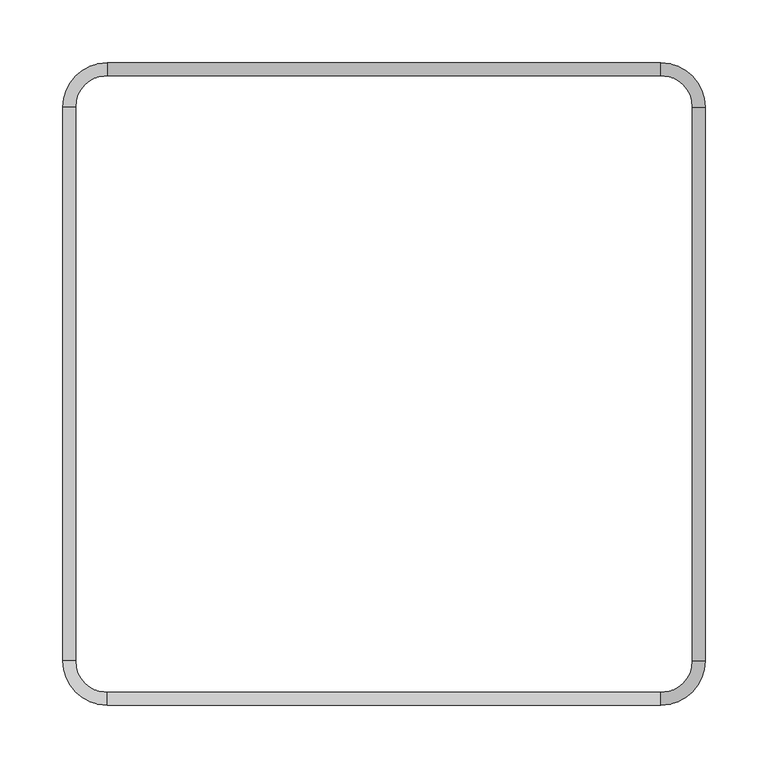
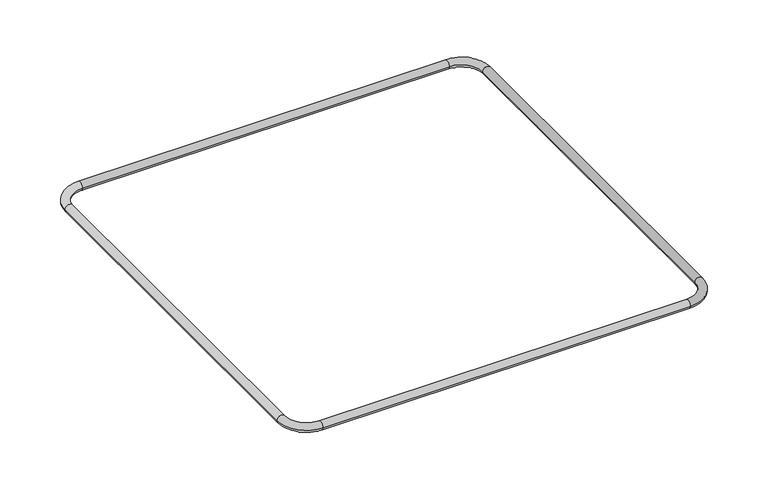
"""IFC4 building model written with IfcOpenShell, lengths in millimetres: beam geometry."""

from ifc_helpers import new_model, si_unit, point, frame, origin, place, context, project, spatial, circle_curve, ellipse_curve, trimmed, source, transform, mapped, element, save
from ifc_brep_helpers import cylinder_surface, revolved_surface, advanced_brep


def beam_69f8333f(model_context):
    return source(origin(), model_context, "Body", "AdvancedBrep", [
        advanced_brep(
        [(255.0, 220.0, 0.0), (220.0, 255.0, 0.0), (220.0, 245.0, 0.0), (245.0, 220.0, 0.0), (245.0, -220.0, 0.0), (255.0, -220.0, 0.0), (220.0, -255.0, 0.0), (220.0, -245.0, 0.0), (-220.0, -245.0, 0.0), (-220.0, -255.0, 0.0), (-255.0, -220.0, 0.0), (-245.0, -220.0, 0.0), (-245.0, 220.0, 0.0), (-255.0, 220.0, 0.0), (-220.0, 255.0, 0.0), (-220.0, 245.0, 0.0)],
        [
            (0, 1, circle_curve(frame((220.0, 220.0, 0.0), z_axis=(0.0, 0.0, 1.0), x_axis=(0.0, 1.0, 0.0)), 35.0)),
            (1, 2, circle_curve(frame((220.0, 250.0, 0.0), z_axis=(1.0, 0.0, 0.0), x_axis=(0.0, 1.0, 0.0)), 5.0)),
            (2, 3, circle_curve(frame((220.0, 220.0, 0.0), z_axis=(0.0, 0.0, -1.0), x_axis=(0.0, 1.0, 0.0)), 25.0)),
            (3, 0, circle_curve(frame((250.0, 220.0, 0.0), z_axis=(0.0, 1.0, 0.0), x_axis=(1.0, 0.0, 0.0)), 5.0)),
            (2, 1, circle_curve(frame((220.0, 250.0, 0.0), z_axis=(1.0, 0.0, 0.0), x_axis=(0.0, 1.0, 0.0)), 5.0)),
            (0, 3, circle_curve(frame((250.0, 220.0, 0.0), z_axis=(0.0, 1.0, 0.0), x_axis=(1.0, 0.0, 0.0)), 5.0)),
            (3, 4),
            (4, 5, circle_curve(frame((250.0, -220.0, 0.0), z_axis=(0.0, 1.0, 0.0), x_axis=(1.0, 0.0, 0.0)), 5.0)),
            (5, 0),
            (5, 4, circle_curve(frame((250.0, -220.0, 0.0), z_axis=(0.0, 1.0, 0.0), x_axis=(1.0, 0.0, 0.0)), 5.0)),
            (6, 5, circle_curve(frame((220.0, -220.0, 0.0), z_axis=(0.0, 0.0, 1.0), x_axis=(1.0, 0.0, 0.0)), 35.0)),
            (4, 7, circle_curve(frame((220.0, -220.0, 0.0), z_axis=(0.0, 0.0, -1.0), x_axis=(1.0, 0.0, 0.0)), 25.0)),
            (7, 6, circle_curve(frame((220.0, -250.0, 0.0), z_axis=(1.0, 0.0, 0.0), x_axis=(0.0, -1.0, 0.0)), 5.0)),
            (6, 7, circle_curve(frame((220.0, -250.0, 0.0), z_axis=(1.0, 0.0, 0.0), x_axis=(0.0, -1.0, 0.0)), 5.0)),
            (7, 8),
            (8, 9, circle_curve(frame((-220.0, -250.0, 0.0), z_axis=(1.0, 0.0, 0.0), x_axis=(0.0, -1.0, 0.0)), 5.0)),
            (9, 6),
            (9, 8, circle_curve(frame((-220.0, -250.0, 0.0), z_axis=(1.0, 0.0, 0.0), x_axis=(0.0, -1.0, 0.0)), 5.0)),
            (10, 9, circle_curve(frame((-220.0, -220.0, 0.0), z_axis=(0.0, 0.0, 1.0), x_axis=(0.0, -1.0, 0.0)), 35.0)),
            (8, 11, circle_curve(frame((-220.0, -220.0, 0.0), z_axis=(0.0, 0.0, -1.0), x_axis=(0.0, -1.0, 0.0)), 25.0)),
            (11, 10, circle_curve(frame((-250.0, -220.0, 0.0), z_axis=(0.0, -1.0, 0.0), x_axis=(-1.0, 0.0, 0.0)), 5.0)),
            (10, 11, circle_curve(frame((-250.0, -220.0, 0.0), z_axis=(0.0, -1.0, 0.0), x_axis=(-1.0, 0.0, 0.0)), 5.0)),
            (11, 12),
            (12, 13, circle_curve(frame((-250.0, 220.0, 0.0), z_axis=(0.0, -1.0, 0.0), x_axis=(-1.0, 0.0, 0.0)), 5.0)),
            (13, 10),
            (13, 12, circle_curve(frame((-250.0, 220.0, 0.0), z_axis=(0.0, -1.0, 0.0), x_axis=(-1.0, 0.0, 0.0)), 5.0)),
            (14, 13, circle_curve(frame((-220.0, 220.0, 0.0), z_axis=(0.0, 0.0, 1.0), x_axis=(-1.0, 0.0, 0.0)), 35.0)),
            (12, 15, circle_curve(frame((-220.0, 220.0, 0.0), z_axis=(0.0, 0.0, -1.0), x_axis=(-1.0, 0.0, 0.0)), 25.0)),
            (15, 14, circle_curve(frame((-220.0, 250.0, 0.0), z_axis=(-1.0, 0.0, 0.0), x_axis=(0.0, 1.0, 0.0)), 5.0)),
            (14, 15, circle_curve(frame((-220.0, 250.0, 0.0), z_axis=(-1.0, 0.0, 0.0), x_axis=(0.0, 1.0, 0.0)), 5.0)),
            (15, 2),
            (1, 14),
        ],
        [
            revolved_surface(trimmed(ellipse_curve(frame((220.0, 250.0, 0.0), z_axis=(-1.0, 0.0, 0.0), x_axis=(0.0, 1.0, 0.0)), 5.0, 5.0), [point((220.0, 245.0, 0.0))], [point((220.0, 255.0, 0.0))], True, "CARTESIAN"), (220.0, 220.0, 0.0), (0.0, 0.0, -1.0)),
            revolved_surface(trimmed(ellipse_curve(frame((220.0, 250.0, 0.0), z_axis=(-1.0, 0.0, 0.0), x_axis=(0.0, 1.0, 0.0)), 5.0, 5.0), [point((220.0, 255.0, 0.0))], [point((220.0, 245.0, 0.0))], True, "CARTESIAN"), (220.0, 220.0, 0.0), (0.0, 0.0, -1.0)),
            cylinder_surface(frame((250.0, 220.0, 0.0), z_axis=(0.0, 1.0, 0.0), x_axis=(1.0, 0.0, 0.0)), 5.0),
            revolved_surface(trimmed(ellipse_curve(frame((250.0, -220.0, 0.0), z_axis=(0.0, 1.0, 0.0), x_axis=(1.0, 0.0, 0.0)), 5.0, 5.0), [point((245.0, -220.0, 0.0))], [point((255.0, -220.0, 0.0))], True, "CARTESIAN"), (220.0, -220.0, 0.0), (0.0, 0.0, -1.0)),
            revolved_surface(trimmed(ellipse_curve(frame((250.0, -220.0, 0.0), z_axis=(0.0, 1.0, 0.0), x_axis=(1.0, 0.0, 0.0)), 5.0, 5.0), [point((255.0, -220.0, 0.0))], [point((245.0, -220.0, 0.0))], True, "CARTESIAN"), (220.0, -220.0, 0.0), (0.0, 0.0, -1.0)),
            cylinder_surface(frame((220.0, -250.0, 0.0), z_axis=(1.0, 0.0, 0.0), x_axis=(0.0, -1.0, 0.0)), 5.0),
            revolved_surface(trimmed(ellipse_curve(frame((-220.0, -250.0, 0.0), z_axis=(1.0, 0.0, 0.0), x_axis=(0.0, -1.0, 0.0)), 5.0, 5.0), [point((-220.0, -245.0, 0.0))], [point((-220.0, -255.0, 0.0))], True, "CARTESIAN"), (-220.0, -220.0, 0.0), (0.0, 0.0, -1.0)),
            revolved_surface(trimmed(ellipse_curve(frame((-220.0, -250.0, 0.0), z_axis=(1.0, 0.0, 0.0), x_axis=(0.0, -1.0, 0.0)), 5.0, 5.0), [point((-220.0, -255.0, 0.0))], [point((-220.0, -245.0, 0.0))], True, "CARTESIAN"), (-220.0, -220.0, 0.0), (0.0, 0.0, -1.0)),
            cylinder_surface(frame((-250.0, -220.0, 0.0), z_axis=(0.0, -1.0, 0.0), x_axis=(-1.0, 0.0, 0.0)), 5.0),
            revolved_surface(trimmed(ellipse_curve(frame((-250.0, 220.0, 0.0), z_axis=(0.0, -1.0, 0.0), x_axis=(-1.0, 0.0, 0.0)), 5.0, 5.0), [point((-245.0, 220.0, 0.0))], [point((-255.0, 220.0, 0.0))], True, "CARTESIAN"), (-220.0, 220.0, 0.0), (0.0, 0.0, -1.0)),
            revolved_surface(trimmed(ellipse_curve(frame((-250.0, 220.0, 0.0), z_axis=(0.0, -1.0, 0.0), x_axis=(-1.0, 0.0, 0.0)), 5.0, 5.0), [point((-255.0, 220.0, 0.0))], [point((-245.0, 220.0, 0.0))], True, "CARTESIAN"), (-220.0, 220.0, 0.0), (0.0, 0.0, -1.0)),
            cylinder_surface(frame((-220.0, 250.0, 0.0), z_axis=(-1.0, 0.0, 0.0), x_axis=(0.0, 1.0, 0.0)), 5.0),
        ],
        [
            (0, [[1, 2, 3, 4]]),
            (1, [[-3, 5, -1, 6]]),
            (2, [[-4, 7, 8, 9]]),
            (2, [[-6, -9, 10, -7]]),
            (3, [[11, -8, 12, 13]]),
            (4, [[-12, -10, -11, 14]]),
            (5, [[-13, 15, 16, 17]]),
            (5, [[-14, -17, 18, -15]]),
            (6, [[19, -16, 20, 21]]),
            (7, [[-20, -18, -19, 22]]),
            (8, [[-21, 23, 24, 25]]),
            (8, [[-22, -25, 26, -23]]),
            (9, [[27, -24, 28, 29]]),
            (10, [[-28, -26, -27, 30]]),
            (11, [[-29, 31, -2, 32]]),
            (11, [[-30, -32, -5, -31]]),
        ],
    ),
    ])


if __name__ == "__main__":
    model = new_model("IFC4")
    model_context = context("Model", 3, world=origin())
    ifc_project = project(units=[si_unit("LENGTHUNIT", "METRE", prefix="MILLI")], contexts=[model_context])
    site = spatial("IfcSite", under=ifc_project)
    building = spatial("IfcBuilding", under=site)
    placement = place(None, origin())
    beam_shape = beam_69f8333f(model_context)
    element("IfcBeam", 1, at=placement, inside=building, context=model_context, shape_type="MappedRepresentation", body=[
        mapped(beam_shape, transform((0.0, 0.0, 0.0), x_axis=(1.0, 0.0, 0.0), y_axis=(0.0, 1.0, 0.0), z_axis=(0.0, 0.0, 1.0))),
    ])
    save(model, "model.ifc")
